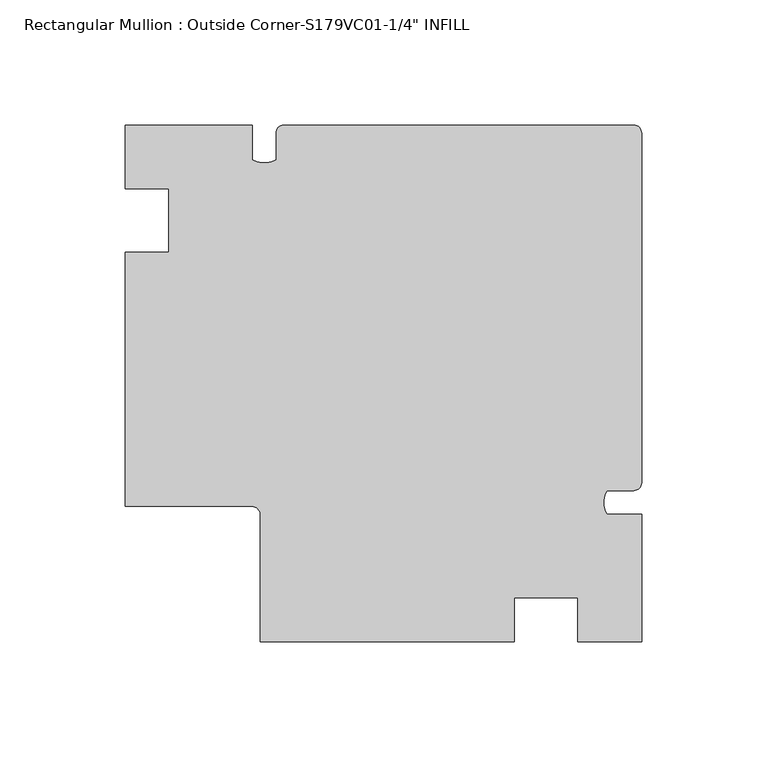
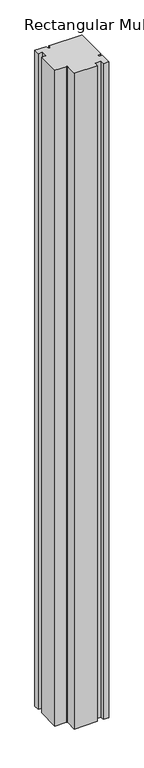
"""IFC4 building model written with IfcOpenShell, lengths in millimetres: member geometry."""

from ifc_helpers import new_model, si_unit, point, frame, frame_2d, origin, place, context, project, spatial, polyline, circle_curve, trimmed, segment, composite_curve, outline, extrude, source, transform, mapped, element, save


def member_9341f363(model_context):
    return source(origin(), model_context, "Body", "SweptSolid", [
        extrude(outline(composite_curve([segment(polyline([(-50.8, -206.375), (-152.4, -206.375), (-152.4, -155.575)]), True, "CONTINUOUS"), segment(trimmed(circle_curve(frame_2d((-155.575, -155.575)), 3.175), [point((-152.4, -155.575))], [point((-155.575, -152.4))], True, "CARTESIAN"), True, "CONTINUOUS"), segment(polyline([(-155.575, -152.4), (-206.375, -152.4), (-206.375, -50.8), (-188.9252, -50.8), (-188.9252, -25.4), (-206.375, -25.4), (-206.375, 0.0), (-155.575, 0.0), (-155.575, -13.8176)]), True, "CONTINUOUS"), segment(trimmed(circle_curve(frame_2d((-150.8125, -5.568708)), 9.525), [point((-155.575, -13.8176))], [point((-146.05, -13.8176))], True, "CARTESIAN"), True, "CONTINUOUS"), segment(polyline([(-146.05, -13.8176), (-146.05, -3.175)]), True, "CONTINUOUS"), segment(trimmed(circle_curve(frame_2d((-142.875, -3.175)), 3.175), [point((-146.05, -3.175))], [point((-142.875, 0.0))], False, "CARTESIAN"), True, "CONTINUOUS"), segment(polyline([(-142.875, 0.0), (-3.175, 0.0)]), True, "CONTINUOUS"), segment(trimmed(circle_curve(frame_2d((-3.175, -3.175)), 3.175), [point((-3.175, 0.0))], [point((0.0, -3.175))], False, "CARTESIAN"), True, "CONTINUOUS"), segment(polyline([(0.0, -3.175), (0.0, -142.875)]), True, "CONTINUOUS"), segment(trimmed(circle_curve(frame_2d((-3.175, -142.875)), 3.175), [point((0.0, -142.875))], [point((-3.175, -146.05))], False, "CARTESIAN"), True, "CONTINUOUS"), segment(polyline([(-3.175, -146.05), (-13.8176, -146.05)]), True, "CONTINUOUS"), segment(trimmed(circle_curve(frame_2d((-5.568708, -150.8125)), 9.525), [point((-13.8176, -146.05))], [point((-13.8176, -155.575))], True, "CARTESIAN"), True, "CONTINUOUS"), segment(polyline([(-13.8176, -155.575), (0.0, -155.575), (0.0, -206.375), (-25.4, -206.375), (-25.4, -188.9252), (-50.8, -188.9252), (-50.8, -206.375)]), True, "CONTINUOUS")], self_intersect=False)), frame((0.0, 0.0, -3048.0), z_axis=(0.0, 0.0, 1.0), x_axis=(1.0, 0.0, 0.0)), (0.0, 0.0, 1.0), 3048.0),
    ])


if __name__ == "__main__":
    model = new_model("IFC4")
    model_context = context("Model", 3, world=origin())
    ifc_project = project(units=[si_unit("LENGTHUNIT", "METRE", prefix="MILLI")], contexts=[model_context])
    site = spatial("IfcSite", under=ifc_project)
    building = spatial("IfcBuilding", under=site)
    placement = place(None, origin())
    member_shape = member_9341f363(model_context)
    element("IfcMember", 1, ObjectType="Rectangular Mullion : Outside Corner-S179VC01-1/4\" INFILL", at=placement, inside=building, context=model_context, shape_type="MappedRepresentation", body=[
        mapped(member_shape, transform((0.0, 0.0, 0.0), x_axis=(1.0, 0.0, 0.0), y_axis=(0.0, 1.0, 0.0), z_axis=(0.0, 0.0, 1.0))),
    ])
    save(model, "model.ifc")
